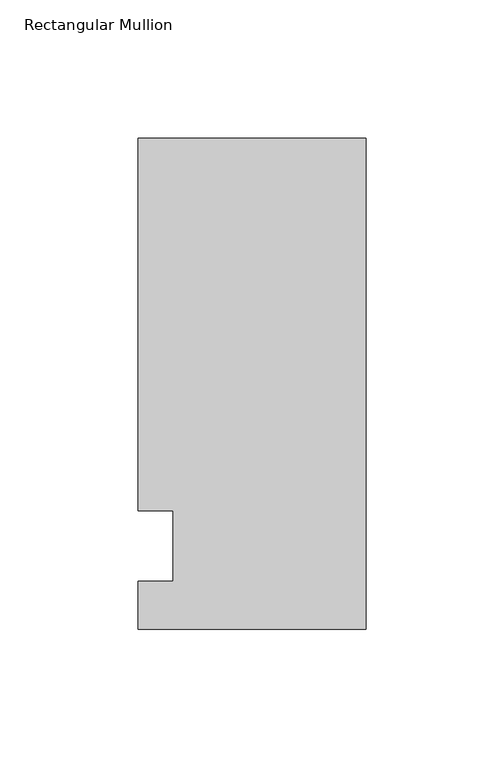
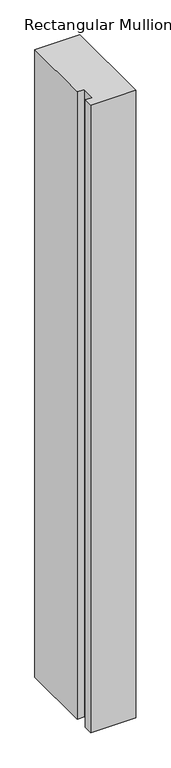
"""IFC4 building model written with IfcOpenShell, lengths in millimetres: member geometry, Rectangular Mullion."""

from ifc_helpers import new_model, si_unit, frame, origin, place, context, project, spatial, polyline, outline, extrude, source, transform, mapped, element, save


def rectangular_mullion_66eb84cd(model_context):
    return source(origin(), model_context, "Body", "SweptSolid", [
        extrude(outline(polyline([(41.275, 147.6375), (41.275, -30.1625), (-41.275, -30.1625), (-41.275, -12.7), (-28.575, -12.7), (-28.575, 12.7), (-41.275, 12.7), (-41.275, 147.6375), (41.275, 147.6375)])), frame((0.0, 0.0, -1219.2), z_axis=(0.0, 0.0, 1.0), x_axis=(1.0, 0.0, 0.0)), (0.0, 0.0, 1.0), 1219.2),
    ])


if __name__ == "__main__":
    model = new_model("IFC4")
    model_context = context("Model", 3, world=origin())
    ifc_project = project(units=[si_unit("LENGTHUNIT", "METRE", prefix="MILLI")], contexts=[model_context])
    site = spatial("IfcSite", under=ifc_project)
    building = spatial("IfcBuilding", under=site)
    placement = place(None, origin())
    rectangular_mullion_shape = rectangular_mullion_66eb84cd(model_context)
    element("IfcMember", 1, ObjectType="Rectangular Mullion", at=placement, inside=building, context=model_context, shape_type="MappedRepresentation", body=[
        mapped(rectangular_mullion_shape, transform((0.0, 0.0, 0.0), x_axis=(1.0, 0.0, 0.0), y_axis=(0.0, 1.0, 0.0), z_axis=(0.0, 0.0, 1.0))),
    ])
    save(model, "model.ifc")
